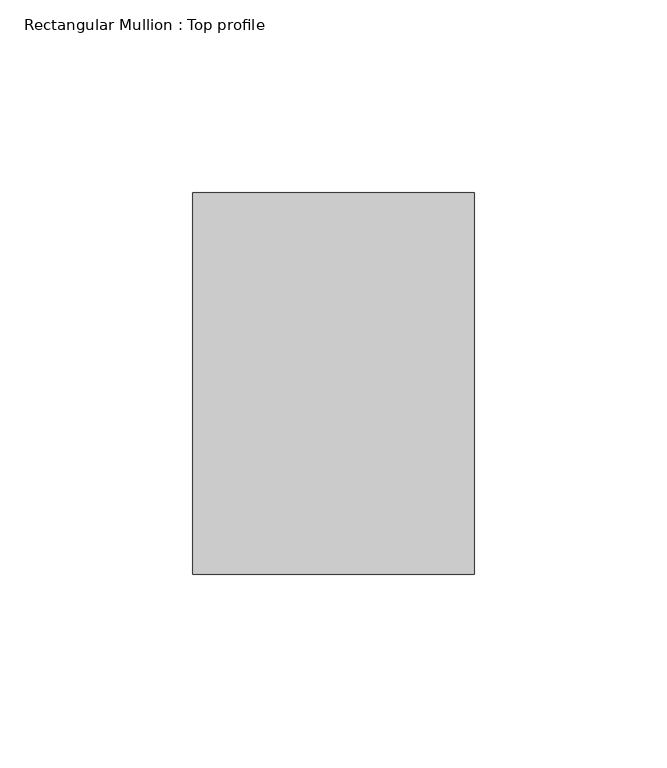
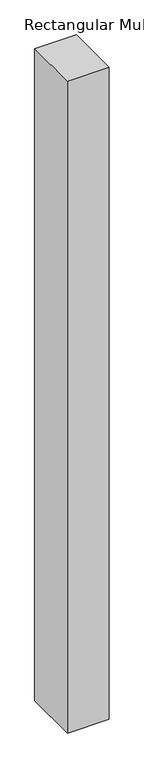
"""IFC4 building model written with IfcOpenShell, lengths in millimetres: member geometry, Rectangular Mullion : Top profile."""

from ifc_helpers import new_model, si_unit, frame, origin, place, context, project, spatial, polyline, outline, extrude, source, transform, mapped, element, save


def rectangular_mullion_top_profile_2216d356(model_context):
    return source(origin(), model_context, "Body", "SweptSolid", [
        extrude(outline(polyline([(-73.0, -49.5), (-73.0, 49.5), (0.0, 49.5), (0.0, -49.5), (-73.0, -49.5)])), frame((0.0, 0.0, -1207.5), z_axis=(0.0, 0.0, 1.0), x_axis=(1.0, 0.0, 0.0)), (0.0, 0.0, 1.0), 1207.5),
    ])


if __name__ == "__main__":
    model = new_model("IFC4")
    model_context = context("Model", 3, world=origin())
    ifc_project = project(units=[si_unit("LENGTHUNIT", "METRE", prefix="MILLI")], contexts=[model_context])
    site = spatial("IfcSite", under=ifc_project)
    building = spatial("IfcBuilding", under=site)
    placement = place(None, origin())
    rectangular_mullion_top_profile_shape = rectangular_mullion_top_profile_2216d356(model_context)
    element("IfcMember", 1, ObjectType="Rectangular Mullion : Top profile", at=placement, inside=building, context=model_context, shape_type="MappedRepresentation", body=[
        mapped(rectangular_mullion_top_profile_shape, transform((0.0, 0.0, 0.0), x_axis=(1.0, 0.0, 0.0), y_axis=(0.0, 1.0, 0.0), z_axis=(0.0, 0.0, 1.0))),
    ])
    save(model, "model.ifc")
